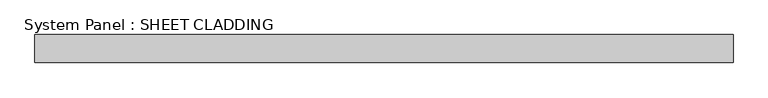
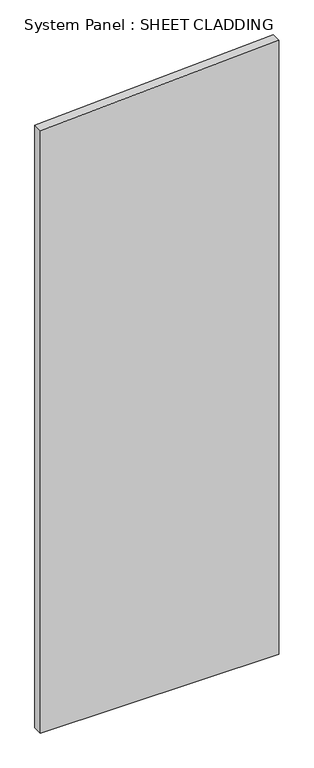
"""IFC4 building model written with IfcOpenShell, lengths in millimetres: plate geometry, System Panel : SHEET CLADDING."""

from ifc_helpers import new_model, si_unit, frame, origin, place, context, project, spatial, polyline, outline, extrude, source, transform, mapped, element, save


def system_panel_sheet_cladding_833ff8ce(model_context):
    return source(origin(), model_context, "Body", "SweptSolid", [
        extrude(outline(polyline([(0.0, -750.0), (0.0, 750.0), (4085.1, 750.0), (4010.1, -750.0), (0.0, -750.0)])), frame((0.0, -49.5, 0.0), z_axis=(0.0, 1.0, 0.0), x_axis=(0.0, 0.0, 1.0)), (0.0, 0.0, 1.0), 60.0),
    ])


if __name__ == "__main__":
    model = new_model("IFC4")
    model_context = context("Model", 3, world=origin())
    ifc_project = project(units=[si_unit("LENGTHUNIT", "METRE", prefix="MILLI")], contexts=[model_context])
    site = spatial("IfcSite", under=ifc_project)
    building = spatial("IfcBuilding", under=site)
    placement = place(None, origin())
    system_panel_sheet_cladding_shape = system_panel_sheet_cladding_833ff8ce(model_context)
    element("IfcPlate", 1, ObjectType="System Panel : SHEET CLADDING", at=placement, inside=building, context=model_context, shape_type="MappedRepresentation", body=[
        mapped(system_panel_sheet_cladding_shape, transform((0.0, 0.0, 0.0), x_axis=(1.0, 0.0, 0.0), y_axis=(0.0, 1.0, 0.0), z_axis=(0.0, 0.0, 1.0))),
    ])
    save(model, "model.ifc")
